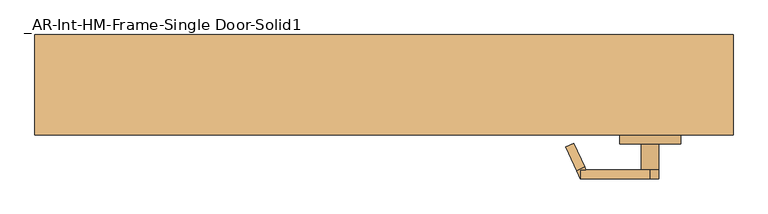
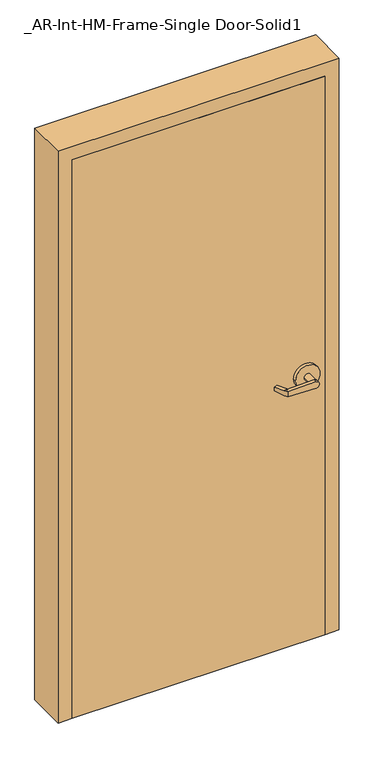
"""IFC4 building model written with IfcOpenShell, lengths in millimetres: door geometry, _AR-Int-HM-Frame-Single Door-Solid1."""

import ifcopenshell
import ifcopenshell.guid

model = None  # the IFC model being written
_history = None  # IfcOwnerHistory: only IFC2X3 demands one
_inside = {}  # id of a spatial element -> (the spatial element, [elements in it])
_under = {}  # id of a project, library or spatial element -> (it, [spatial elements below it])
_declared = {}  # id of a project -> (the project, [libraries it declares])
_typed = {}  # id of a type object -> (the type object, [elements of that type])
_made_of = {}  # id of a material, layer set ... -> (it, [elements and type objects made of it])


def new_model(schema):
    """Start an empty IFC model of exactly this schema.

    Asked for "IFC4X3", IfcOpenShell would pick the latest addendum, in which some entities
    have other attributes; the version numbers below select the first issue.
    IFC2X3 requires an IfcOwnerHistory on every rooted entity: one is made here for all.
    """
    global model, _history
    if schema == "IFC4X3":
        model = ifcopenshell.file(schema_version=(4, 3, 0, 0))
    else:
        model = ifcopenshell.file(schema=schema)
    _inside.clear()
    _under.clear()
    _declared.clear()
    _typed.clear()
    _made_of.clear()
    _history = None
    if model.schema == "IFC2X3":
        org = make("IfcOrganization", Name="unknown")
        user = make(
            "IfcPersonAndOrganization",
            ThePerson=make("IfcPerson", FamilyName="unknown"),
            TheOrganization=org,
        )
        app = make(
            "IfcApplication",
            ApplicationDeveloper=org,
            Version="unknown",
            ApplicationFullName="unknown",
            ApplicationIdentifier="unknown",
        )
        _history = make(
            "IfcOwnerHistory",
            OwningUser=user,
            OwningApplication=app,
            ChangeAction="ADDED",
            CreationDate=0,
        )
    return model


def make(cls, **values):
    """One entity of the class cls with the attributes given. An attribute that is None is left unset."""
    return model.create_entity(
        cls, **{name: value for name, value in values.items() if value is not None}
    )


def rooted(cls, **values):
    """An entity with a GlobalId (a new one), such as an element, a storey or a relation."""
    return make(cls, GlobalId=ifcopenshell.guid.new(), OwnerHistory=_history, **values)


def si_unit(unit_type, name, prefix=None):
    """IfcSIUnit, for example si_unit("LENGTHUNIT", "METRE", prefix="MILLI")."""
    return make("IfcSIUnit", UnitType=unit_type, Prefix=prefix, Name=name)


def assignment(units):
    """IfcUnitAssignment: the units of a project."""
    return None if units is None else make("IfcUnitAssignment", Units=units)


def point(xyz):
    """IfcCartesianPoint."""
    return None if xyz is None else make("IfcCartesianPoint", Coordinates=xyz)


def direction(xyz):
    """IfcDirection."""
    return None if xyz is None else make("IfcDirection", DirectionRatios=xyz)


def frame(location, z_axis=None, x_axis=None):
    """IfcAxis2Placement3D, a coordinate frame: its origin and axes. An axis left out is left unset."""
    return make(
        "IfcAxis2Placement3D",
        Location=point(location),
        Axis=direction(z_axis),
        RefDirection=direction(x_axis),
    )


def origin():
    """The frame at (0, 0, 0) with its axes left unset."""
    return frame((0.0, 0.0, 0.0))


def origin_with_axes():
    """The frame at (0, 0, 0) with the z axis (0, 0, 1) and the x axis (1, 0, 0) written out."""
    return frame((0.0, 0.0, 0.0), z_axis=(0.0, 0.0, 1.0), x_axis=(1.0, 0.0, 0.0))


def place(relative_to, where):
    """IfcLocalPlacement: puts the frame where relative to a parent placement (None: the world)."""
    return make(
        "IfcLocalPlacement", PlacementRelTo=relative_to, RelativePlacement=where
    )


def context(
    kind, dimensions, precision=None, world=None, true_north=None, identifier=None
):
    """IfcGeometricRepresentationContext, for example the 3D "Model" context."""
    return make(
        "IfcGeometricRepresentationContext",
        ContextIdentifier=identifier,
        ContextType=kind,
        CoordinateSpaceDimension=dimensions,
        Precision=precision,
        WorldCoordinateSystem=world,
        TrueNorth=true_north,
    )


def project(units=None, contexts=None):
    """IfcProject with its units and contexts."""
    return rooted(
        "IfcProject",
        Name="project",
        RepresentationContexts=contexts,
        UnitsInContext=assignment(units),
    )


def spatial(cls, under=None, at=None, **own):
    """A site, building, storey or space (cls), placed at a placement, below another one or the project."""
    s = rooted(cls, ObjectPlacement=at, **own)
    if under is not None:
        _under.setdefault(under.id(), (under, []))[1].append(s)
    return s


def polyline(points):
    """IfcPolyline through the points."""
    return make("IfcPolyline", Points=[point(p) for p in points])


def circle_curve(where, radius):
    """IfcCircle in the frame where."""
    return make("IfcCircle", Position=where, Radius=radius)


def outline(outer, holes=None, kind="AREA"):
    """IfcArbitraryClosedProfileDef: a profile drawn as a closed curve; with holes, ...WithVoids."""
    if holes is None:
        return make("IfcArbitraryClosedProfileDef", ProfileType=kind, OuterCurve=outer)
    return make(
        "IfcArbitraryProfileDefWithVoids",
        ProfileType=kind,
        OuterCurve=outer,
        InnerCurves=holes,
    )


def extrude(swept, where, along, depth):
    """IfcExtrudedAreaSolid: the profile swept, set in the frame where, extruded along a direction by depth."""
    return make(
        "IfcExtrudedAreaSolid",
        SweptArea=swept,
        Position=where,
        ExtrudedDirection=direction(along),
        Depth=depth,
    )


def faces_of(points, faces, orient=None, outer=None):
    """IfcFace entities. A face is a list of loops; a loop is a list of indices into points, from 0.

    orient and outer hold one flag for each loop. By default every Orientation is true, the
    first loop of a face is its IfcFaceOuterBound and the others are IfcFaceBound.
    """
    made = []
    for i, loops in enumerate(faces):
        bounds = []
        for j, loop in enumerate(loops):
            is_outer = j == 0 if outer is None else outer[i][j]
            bounds.append(
                make(
                    "IfcFaceOuterBound" if is_outer else "IfcFaceBound",
                    Bound=make("IfcPolyLoop", Polygon=[points[k] for k in loop]),
                    Orientation=True if orient is None else orient[i][j],
                )
            )
        made.append(make("IfcFace", Bounds=bounds))
    return made


def faceted_brep(points, faces, orient=None, outer=None, voids=None):
    """IfcFacetedBrep: a solid bounded by flat faces; with voids (closed shells), ...WithVoids."""
    shared = [point(p) for p in points]
    hull = make("IfcClosedShell", CfsFaces=faces_of(shared, faces, orient, outer))
    if voids is None:
        return make("IfcFacetedBrep", Outer=hull)
    return make(
        "IfcFacetedBrepWithVoids",
        Outer=hull,
        Voids=[
            make(cls, CfsFaces=faces_of(shared, fs, o, b)) for cls, fs, o, b in voids
        ],
    )


def shape(context_of_items, identifier, shape_type, items):
    """IfcShapeRepresentation: the items that make up one representation, for example the "Body"."""
    return make(
        "IfcShapeRepresentation",
        ContextOfItems=context_of_items,
        RepresentationIdentifier=identifier,
        RepresentationType=shape_type,
        Items=items,
    )


def source(mapping_origin, context_of_items, identifier, shape_type, items):
    """IfcRepresentationMap: a shape defined once, which mapped items show again and again."""
    return make(
        "IfcRepresentationMap",
        MappingOrigin=mapping_origin,
        MappedRepresentation=shape(context_of_items, identifier, shape_type, items),
    )


def transform(
    local_origin,
    x_axis=None,
    y_axis=None,
    z_axis=None,
    scale=None,
    scale2=None,
    scale3=None,
    uniform=True,
):
    """IfcCartesianTransformationOperator3D, or its non-uniform kind. x_axis, y_axis, z_axis: its Axis1, 2, 3."""
    if uniform:
        return make(
            "IfcCartesianTransformationOperator3D",
            Axis1=direction(x_axis),
            Axis2=direction(y_axis),
            LocalOrigin=point(local_origin),
            Scale=scale,
            Axis3=direction(z_axis),
        )
    return make(
        "IfcCartesianTransformationOperator3DnonUniform",
        Axis1=direction(x_axis),
        Axis2=direction(y_axis),
        LocalOrigin=point(local_origin),
        Scale=scale,
        Axis3=direction(z_axis),
        Scale2=scale2,
        Scale3=scale3,
    )


def mapped(mapping_source, mapping_target):
    """IfcMappedItem: shows the shape of a source again, moved by a transform."""
    return make(
        "IfcMappedItem", MappingSource=mapping_source, MappingTarget=mapping_target
    )


def made_of(thing, what):
    """Note that an element or type object is made of a material, layer set ...; save() writes the relation."""
    if what is not None:
        _made_of.setdefault(what.id(), (what, []))[1].append(thing)
    return thing


def element(
    cls,
    number,
    at=None,
    inside=None,
    cuts=None,
    type_object=None,
    material=None,
    context=None,
    identifier="Body",
    shape_type=None,
    held_by="IfcProductDefinitionShape",
    body=None,
    shapes=None,
    **own,
):
    """One element of the class cls, such as IfcWall. Its Tag is "e" and its number.

    at: its placement. inside: the storey or other place that contains it. cuts: it is an
    opening in that element (IfcRelVoidsElement). A single representation is given by context,
    identifier, shape_type and body (its items); several are given by shapes. held_by: the class
    of the entity that holds the representations. save() writes the other relations.
    """
    e = rooted(cls, Tag="e%d" % number, ObjectPlacement=at, **own)
    if body is not None:
        shapes = [shape(context, identifier, shape_type, body)]
    if shapes is not None:
        e.Representation = make(held_by, Representations=shapes)
    if inside is not None:
        _inside.setdefault(inside.id(), (inside, []))[1].append(e)
    if cuts is not None:
        rooted(
            "IfcRelVoidsElement", RelatingBuildingElement=cuts, RelatedOpeningElement=e
        )
    if type_object is not None:
        _typed.setdefault(type_object.id(), (type_object, []))[1].append(e)
    return made_of(e, material)


def aggregate(whole, parts):
    """IfcRelAggregates: a whole, such as a stair, and the parts it consists of."""
    return rooted("IfcRelAggregates", RelatingObject=whole, RelatedObjects=parts)


def save(model, path):
    """Write the relations noted so far, then the file.

    IfcRelAggregates (storeys below a building ...), IfcRelContainedInSpatialStructure (elements
    in a storey), IfcRelDefinesByType, IfcRelAssociatesMaterial and IfcRelDeclares: one each for
    every whole, place, type object, material and project.
    """
    for whole, parts in _under.values():
        aggregate(whole, parts)
    for where, things in _inside.values():
        rooted(
            "IfcRelContainedInSpatialStructure",
            RelatedElements=things,
            RelatingStructure=where,
        )
    for kind, things in _typed.values():
        rooted("IfcRelDefinesByType", RelatedObjects=things, RelatingType=kind)
    for what, things in _made_of.values():
        rooted("IfcRelAssociatesMaterial", RelatedObjects=things, RelatingMaterial=what)
    for by, libraries in _declared.values():
        rooted("IfcRelDeclares", RelatingContext=by, RelatedDefinitions=libraries)
    model.write(path)


def plane_surface(at):
    """IfcPlane: the flat surface through the origin of the frame at, square to its z axis."""
    return make("IfcPlane", Position=at)


def cylinder_surface(at, radius):
    """IfcCylindricalSurface: all points at the distance radius from the z axis of the frame at."""
    return make("IfcCylindricalSurface", Position=at, Radius=radius)


def advanced_brep(points, edges, surfaces, faces):
    """IfcAdvancedBrep: a solid bounded by faces that lie on surfaces and meet in shared edges.

    An edge is (start, end): straight between two places in points (the first is 0);
    or (start, end, curve); or (start, end, curve, False) where it runs against its curve.
    A face is (place in surfaces, loops), or (place, loops, False) where it looks against
    its surface's normal. A loop lists edges by number (the first is 1), with a minus sign
    where the edge is run from its end to its start. The first loop is the outer one.
    """
    corners = [point(p) for p in points]
    vertices = [make("IfcVertexPoint", VertexGeometry=c) for c in corners]
    made = []
    for start, end, *more in edges:
        made.append(
            make(
                "IfcEdgeCurve",
                EdgeStart=vertices[start],
                EdgeEnd=vertices[end],
                EdgeGeometry=more[0] if more else make("IfcPolyline", Points=[corners[start], corners[end]]),
                SameSense=more[1] if len(more) > 1 else True,
            )
        )
    hull = []
    for where, loops, *sense in faces:
        bounds = []
        for j, loop in enumerate(loops):
            ring = [make("IfcOrientedEdge", EdgeElement=made[abs(k) - 1], Orientation=k > 0) for k in loop]
            bounds.append(
                make(
                    "IfcFaceOuterBound" if j == 0 else "IfcFaceBound",
                    Bound=make("IfcEdgeLoop", EdgeList=ring),
                    Orientation=True,
                )
            )
        hull.append(make("IfcAdvancedFace", Bounds=bounds, FaceSurface=surfaces[where], SameSense=sense[0] if sense else True))
    return make("IfcAdvancedBrep", Outer=make("IfcClosedShell", CfsFaces=hull))


def ar_int_hm_frame_single_door_solid1_720919f1(model_context):
    return source(origin(), model_context, "Body", "SolidModel", [
        advanced_brep(
        [(291.892857, 18.0476392, 1006.475), (293.8407923, 22.225, 1006.475), (293.8407923, 22.225, 1025.525), (291.892857, 18.0476392, 1025.525), (275.7911012, -16.4826875, 1022.35), (275.7911012, -16.4826875, 1009.65), (285.75, 34.925, 1025.525), (285.75, 34.925, 1006.475), (280.3827481, 23.4148911, 1006.475), (264.2809923, -11.1154356, 1009.65), (264.2809923, -11.1154356, 1022.35), (280.3827481, 23.4148911, 1025.525), (285.75, 22.225, 1006.475), (285.75, 22.225, 1025.525), (386.9525418, 34.925, 1028.6937791), (386.9525418, 34.925, 1003.3062209), (386.9525418, 22.225, 1003.3062209), (374.65, 22.225, 1016.0), (386.9525418, 22.225, 1028.6937791), (400.05, 22.225, 1016.0), (374.65, -15.875, 1016.0), (400.05, -15.875, 1016.0), (431.8, -15.875, 1016.0), (342.9, -15.875, 1016.0), (431.8, -28.575, 1016.0), (342.9, -28.575, 1016.0)],
        [
            (0, 1),
            (1, 2),
            (2, 3),
            (3, 4),
            (4, 5),
            (5, 0),
            (6, 7),
            (7, 8),
            (8, 9),
            (9, 10),
            (10, 11),
            (11, 6),
            (7, 12),
            (12, 1),
            (0, 8),
            (5, 9),
            (4, 10),
            (3, 11),
            (2, 13),
            (13, 6),
            (6, 14),
            (14, 15, circle_curve(frame((387.35, 34.925, 1016.0), z_axis=(0.0, 1.0, 0.0), x_axis=(-1.0, 0.0, 0.0)), 12.7)),
            (15, 7),
            (12, 16),
            (16, 17, circle_curve(frame((387.35, 22.225, 1016.0), z_axis=(0.0, 1.0, 0.0), x_axis=(-1.0, 0.0, 0.0)), 12.7)),
            (17, 18, circle_curve(frame((387.35, 22.225, 1016.0), z_axis=(0.0, 1.0, 0.0), x_axis=(-1.0, 0.0, 0.0)), 12.7)),
            (18, 13),
            (15, 16),
            (14, 18),
            (18, 19, circle_curve(frame((387.35, 22.225, 1016.0), z_axis=(0.0, 1.0, 0.0), x_axis=(-1.0, 0.0, 0.0)), 12.7)),
            (19, 16, circle_curve(frame((387.35, 22.225, 1016.0), z_axis=(0.0, 1.0, 0.0), x_axis=(-1.0, 0.0, 0.0)), 12.7)),
            (17, 20),
            (20, 21, circle_curve(frame((387.35, -15.875, 1016.0), z_axis=(0.0, 1.0, 0.0), x_axis=(-1.0, 0.0, 0.0)), 12.7)),
            (21, 19),
            (21, 20, circle_curve(frame((387.35, -15.875, 1016.0), z_axis=(0.0, 1.0, 0.0), x_axis=(-1.0, 0.0, 0.0)), 12.7)),
            (22, 23, circle_curve(frame((387.35, -15.875, 1016.0), z_axis=(0.0, 1.0, 0.0), x_axis=(-1.0, 0.0, 0.0)), 44.45)),
            (23, 22, circle_curve(frame((387.35, -15.875, 1016.0), z_axis=(0.0, 1.0, 0.0), x_axis=(-1.0, 0.0, 0.0)), 44.45)),
            (24, 25, circle_curve(frame((387.35, -28.575, 1016.0), z_axis=(0.0, -1.0, 0.0), x_axis=(-1.0, 0.0, 0.0)), 44.45)),
            (25, 24, circle_curve(frame((387.35, -28.575, 1016.0), z_axis=(0.0, -1.0, 0.0), x_axis=(-1.0, 0.0, 0.0)), 44.45)),
            (23, 25),
            (24, 22),
        ],
        [
            plane_surface(frame((297.2601089, 29.5577481, 1006.475), z_axis=(0.9063077870366494, -0.4226182617407007, 0.0), x_axis=(0.0, 0.0, -1.0))),
            plane_surface(frame((285.75, 34.925, 1006.475), z_axis=(-0.9063077870366494, 0.4226182617407007, 0.0), x_axis=(0.0, 0.0, 1.0))),
            plane_surface(frame((297.2601089, 29.5577481, 1006.475), z_axis=(0.0, 0.0, -1.0000000000000002), x_axis=(-0.9063077870366494, 0.42261826174070094, 0.0))),
            plane_surface(frame((291.892857, 18.0476392, 1006.475), z_axis=(-0.035096536341209586, -0.07526476506963879, -0.9965457582448799), x_axis=(-0.9063077870366494, 0.42261826174070094, 0.0))),
            plane_surface(frame((275.7911012, -16.4826875, 1009.65), z_axis=(-0.42261826174070094, -0.9063077870366494, 0.0), x_axis=(-0.9063077870366494, 0.42261826174070094, 0.0))),
            plane_surface(frame((275.7911012, -16.4826875, 1022.35), z_axis=(-0.03509653634121044, -0.07526476506964089, 0.9965457582448796), x_axis=(-0.9063077870366495, 0.42261826174070033, 0.0))),
            plane_surface(frame((291.892857, 18.0476392, 1025.525), z_axis=(0.0, 0.0, 1.0000000000000002), x_axis=(-0.9063077870366494, 0.42261826174070094, 0.0))),
            plane_surface(frame((285.75, 34.925, 1006.475), z_axis=(0.0, 1.0, 0.0), x_axis=(0.9995101626549141, 0.0, -0.03129592225110647))),
            plane_surface(frame((285.75, 22.225, 1006.475), z_axis=(0.0, -1.0, 0.0), x_axis=(-0.9995101626549141, 0.0, 0.03129592225110647))),
            plane_surface(frame((285.75, 34.925, 1006.475), z_axis=(-0.03129592225110647, 0.0, -0.9995101626549141), x_axis=(0.0, -1.0, 0.0))),
            cylinder_surface(frame((387.35, 22.225, 1016.0), z_axis=(0.0, 1.0, 0.0), x_axis=(-1.0, 0.0, 0.0)), 12.7),
            plane_surface(frame((386.9525418, 34.925, 1028.6937791), z_axis=(-0.03129592225110282, 0.0, 0.9995101626549142), x_axis=(0.0, -1.0, 0.0))),
            cylinder_surface(frame((387.35, -15.875, 1016.0), z_axis=(0.0, 1.0, 0.0), x_axis=(-1.0, 0.0, 0.0)), 12.7),
            plane_surface(frame((342.9, -15.875, 1016.0), z_axis=(0.0, 1.0, 0.0), x_axis=(0.0, 0.0, -1.0))),
            plane_surface(frame((342.9, -28.575, 1016.0), z_axis=(0.0, -1.0, 0.0), x_axis=(0.0, 0.0, 1.0))),
            cylinder_surface(frame((387.35, -28.575, 1016.0), z_axis=(0.0, 1.0, 0.0), x_axis=(-1.0, 0.0, 0.0)), 44.45),
        ],
        [
            (0, [[1, 2, 3, 4, 5, 6]]),
            (1, [[7, 8, 9, 10, 11, 12]]),
            (2, [[13, 14, -1, 15, -8]]),
            (3, [[16, -9, -15, -6]]),
            (4, [[17, -10, -16, -5]]),
            (5, [[18, -11, -17, -4]]),
            (6, [[-18, -3, 19, 20, -12]]),
            (7, [[-7, 21, 22, 23]]),
            (8, [[-19, -2, -14, 24, 25, 26, 27]]),
            (9, [[28, -24, -13, -23]]),
            (10, [[29, 30, 31, -28, -22]]),
            (11, [[-20, -27, -29, -21]]),
            (12, [[-30, -26, 32, 33, 34]]),
            (12, [[35, -32, -25, -31, -34]]),
            (13, [[36, 37], [-35, -33]]),
            (14, [[38, 39]]),
            (15, [[40, -38, 41, -37]]),
            (15, [[-41, -39, -40, -36]]),
        ],
    ),
        advanced_brep(
        [(291.892857, -119.6476392, 1025.525), (293.8407923, -123.825, 1025.525), (293.8407923, -123.825, 1006.475), (291.892857, -119.6476392, 1006.475), (275.7911012, -85.1173125, 1009.65), (275.7911012, -85.1173125, 1022.35), (285.75, -136.525, 1006.475), (285.75, -136.525, 1025.525), (280.3827481, -125.0148911, 1025.525), (264.2809923, -90.4845644, 1022.35), (264.2809923, -90.4845644, 1009.65), (280.3827481, -125.0148911, 1006.475), (285.75, -123.825, 1025.525), (285.75, -123.825, 1006.475), (386.9525418, -136.525, 1003.3062209), (386.9525418, -136.525, 1028.6937791), (386.9525418, -123.825, 1028.6937791), (374.65, -123.825, 1016.0), (386.9525418, -123.825, 1003.3062209), (400.05, -123.825, 1016.0), (374.65, -85.725, 1016.0), (400.05, -85.725, 1016.0), (431.8, -85.725, 1016.0), (342.9, -85.725, 1016.0), (431.8, -73.025, 1016.0), (342.9, -73.025, 1016.0)],
        [
            (0, 1),
            (1, 2),
            (2, 3),
            (3, 4),
            (4, 5),
            (5, 0),
            (6, 7),
            (7, 8),
            (8, 9),
            (9, 10),
            (10, 11),
            (11, 6),
            (7, 12),
            (12, 1),
            (0, 8),
            (5, 9),
            (4, 10),
            (3, 11),
            (2, 13),
            (13, 6),
            (6, 14),
            (14, 15, circle_curve(frame((387.35, -136.525, 1016.0), z_axis=(0.0, -1.0, 0.0), x_axis=(-1.0, 0.0, 0.0)), 12.7)),
            (15, 7),
            (12, 16),
            (16, 17, circle_curve(frame((387.35, -123.825, 1016.0), z_axis=(0.0, -1.0, 0.0), x_axis=(-1.0, 0.0, 0.0)), 12.7)),
            (17, 18, circle_curve(frame((387.35, -123.825, 1016.0), z_axis=(0.0, -1.0, 0.0), x_axis=(-1.0, 0.0, 0.0)), 12.7)),
            (18, 13),
            (15, 16),
            (14, 18),
            (18, 19, circle_curve(frame((387.35, -123.825, 1016.0), z_axis=(0.0, -1.0, 0.0), x_axis=(-1.0, 0.0, 0.0)), 12.7)),
            (19, 16, circle_curve(frame((387.35, -123.825, 1016.0), z_axis=(0.0, -1.0, 0.0), x_axis=(-1.0, 0.0, 0.0)), 12.7)),
            (17, 20),
            (20, 21, circle_curve(frame((387.35, -85.725, 1016.0), z_axis=(0.0, -1.0, 0.0), x_axis=(-1.0, 0.0, 0.0)), 12.7)),
            (21, 19),
            (21, 20, circle_curve(frame((387.35, -85.725, 1016.0), z_axis=(0.0, -1.0, 0.0), x_axis=(-1.0, 0.0, 0.0)), 12.7)),
            (22, 23, circle_curve(frame((387.35, -85.725, 1016.0), z_axis=(0.0, -1.0, 0.0), x_axis=(-1.0, 0.0, 0.0)), 44.45)),
            (23, 22, circle_curve(frame((387.35, -85.725, 1016.0), z_axis=(0.0, -1.0, 0.0), x_axis=(-1.0, 0.0, 0.0)), 44.45)),
            (24, 25, circle_curve(frame((387.35, -73.025, 1016.0), z_axis=(0.0, 1.0, 0.0), x_axis=(-1.0, 0.0, 0.0)), 44.45)),
            (25, 24, circle_curve(frame((387.35, -73.025, 1016.0), z_axis=(0.0, 1.0, 0.0), x_axis=(-1.0, 0.0, 0.0)), 44.45)),
            (23, 25),
            (24, 22),
        ],
        [
            plane_surface(frame((297.2601089, -131.1577481, 1025.525), z_axis=(0.9063077870366494, 0.4226182617407007, 0.0), x_axis=(0.0, 0.0, 1.0))),
            plane_surface(frame((285.75, -136.525, 1025.525), z_axis=(-0.9063077870366494, -0.4226182617407007, 0.0), x_axis=(0.0, 0.0, -1.0))),
            plane_surface(frame((297.2601089, -131.1577481, 1025.525), z_axis=(0.0, 0.0, 1.0000000000000002), x_axis=(-0.9063077870366494, -0.42261826174070094, 0.0))),
            plane_surface(frame((291.892857, -119.6476392, 1025.525), z_axis=(-0.03509653634120952, 0.07526476506963879, 0.9965457582448799), x_axis=(-0.9063077870366494, -0.42261826174070094, 0.0))),
            plane_surface(frame((275.7911012, -85.1173125, 1022.35), z_axis=(-0.42261826174070094, 0.9063077870366494, 0.0), x_axis=(-0.9063077870366494, -0.42261826174070094, 0.0))),
            plane_surface(frame((275.7911012, -85.1173125, 1009.65), z_axis=(-0.03509653634121051, 0.07526476506964089, -0.9965457582448796), x_axis=(-0.9063077870366495, -0.42261826174070033, 0.0))),
            plane_surface(frame((291.892857, -119.6476392, 1006.475), z_axis=(0.0, 0.0, -1.0000000000000002), x_axis=(-0.9063077870366494, -0.42261826174070094, 0.0))),
            plane_surface(frame((285.75, -136.525, 1025.525), z_axis=(0.0, -1.0, 0.0), x_axis=(0.9995101626549141, 0.0, 0.0312959222511064))),
            plane_surface(frame((285.75, -123.825, 1025.525), z_axis=(0.0, 1.0, 0.0), x_axis=(-0.9995101626549141, 0.0, -0.0312959222511064))),
            plane_surface(frame((285.75, -136.525, 1025.525), z_axis=(-0.0312959222511064, 0.0, 0.9995101626549141), x_axis=(0.0, 1.0, 0.0))),
            cylinder_surface(frame((387.35, -123.825, 1016.0), z_axis=(0.0, -1.0, 0.0), x_axis=(-1.0, 0.0, 0.0)), 12.7),
            plane_surface(frame((386.9525418, -136.525, 1003.3062209), z_axis=(-0.03129592225110289, 0.0, -0.9995101626549142), x_axis=(0.0, 1.0, 0.0))),
            cylinder_surface(frame((387.35, -85.725, 1016.0), z_axis=(0.0, -1.0, 0.0), x_axis=(-1.0, 0.0, 0.0)), 12.7),
            plane_surface(frame((342.9, -85.725, 1016.0), z_axis=(0.0, -1.0, 0.0), x_axis=(0.0, 0.0, 1.0))),
            plane_surface(frame((342.9, -73.025, 1016.0), z_axis=(0.0, 1.0, 0.0), x_axis=(0.0, 0.0, -1.0))),
            cylinder_surface(frame((387.35, -73.025, 1016.0), z_axis=(0.0, -1.0, 0.0), x_axis=(-1.0, 0.0, 0.0)), 44.45),
        ],
        [
            (0, [[1, 2, 3, 4, 5, 6]]),
            (1, [[7, 8, 9, 10, 11, 12]]),
            (2, [[13, 14, -1, 15, -8]]),
            (3, [[16, -9, -15, -6]]),
            (4, [[17, -10, -16, -5]]),
            (5, [[18, -11, -17, -4]]),
            (6, [[-18, -3, 19, 20, -12]]),
            (7, [[-7, 21, 22, 23]]),
            (8, [[-19, -2, -14, 24, 25, 26, 27]]),
            (9, [[28, -24, -13, -23]]),
            (10, [[29, 30, 31, -28, -22]]),
            (11, [[-20, -27, -29, -21]]),
            (12, [[-30, -26, 32, 33, 34]]),
            (12, [[35, -32, -25, -31, -34]]),
            (13, [[36, 37], [-35, -33]]),
            (14, [[38, 39]]),
            (15, [[40, -38, 41, -37]]),
            (15, [[-41, -39, -40, -36]]),
        ],
    ),
        extrude(outline(polyline([(-457.2, -73.025), (-457.2, -28.575), (457.2, -28.575), (457.2, -73.025), (-457.2, -73.025)])), origin_with_axes(), (0.0, 0.0, 1.0), 2133.6),
        faceted_brep([(-457.2, -73.025, 0.0), (-508.0, -73.025, 0.0), (-508.0, 73.025, 0.0), (-457.2, 73.025, 0.0), (-457.2, 28.575, 0.0), (-441.325, 28.575, 0.0), (-441.325, -28.575, 0.0), (-457.2, -28.575, 0.0), (-457.2, -28.575, 2133.6), (-457.2, -73.025, 2133.6), (-441.325, -28.575, 2117.725), (441.325, -28.575, 2117.725), (441.325, -28.575, 0.0), (457.2, -28.575, 0.0), (457.2, -28.575, 2133.6), (-441.325, 28.575, 2117.725), (-457.2, 28.575, 2133.6), (457.2, 28.575, 2133.6), (457.2, 28.575, 0.0), (441.325, 28.575, 0.0), (441.325, 28.575, 2117.725), (-457.2, 73.025, 2133.6), (-508.0, 73.025, 2184.4), (508.0, 73.025, 2184.4), (508.0, 73.025, 0.0), (457.2, 73.025, 0.0), (457.2, 73.025, 2133.6), (-508.0, -73.025, 2184.4), (457.2, -73.025, 2133.6), (457.2, -73.025, 0.0), (508.0, -73.025, 0.0), (508.0, -73.025, 2184.4)], [[[0, 1, 2, 3, 4, 5, 6, 7]], [[7, 8, 9, 0]], [[6, 10, 11, 12, 13, 14, 8, 7]], [[5, 15, 10, 6]], [[4, 16, 17, 18, 19, 20, 15, 5]], [[3, 21, 16, 4]], [[2, 22, 23, 24, 25, 26, 21, 3]], [[1, 27, 22, 2]], [[0, 9, 28, 29, 30, 31, 27, 1]], [[29, 28, 14, 13]], [[29, 13, 12, 19, 18, 25, 24, 30]], [[12, 11, 20, 19]], [[17, 26, 25, 18]], [[30, 24, 23, 31]], [[23, 22, 27, 31]], [[21, 26, 17, 16]], [[15, 20, 11, 10]], [[14, 28, 9, 8]]]),
    ])


if __name__ == "__main__":
    model = new_model("IFC4")
    model_context = context("Model", 3, world=origin())
    ifc_project = project(units=[si_unit("LENGTHUNIT", "METRE", prefix="MILLI")], contexts=[model_context])
    site = spatial("IfcSite", under=ifc_project)
    building = spatial("IfcBuilding", under=site)
    placement = place(None, origin())
    ar_int_hm_frame_single_door_solid1_shape = ar_int_hm_frame_single_door_solid1_720919f1(model_context)
    element("IfcDoor", 1, ObjectType="_AR-Int-HM-Frame-Single Door-Solid1", at=placement, inside=building, context=model_context, shape_type="MappedRepresentation", body=[
        mapped(ar_int_hm_frame_single_door_solid1_shape, transform((0.0, 0.0, 0.0), x_axis=(1.0, 0.0, 0.0), y_axis=(0.0, 1.0, 0.0), z_axis=(0.0, 0.0, 1.0))),
    ])
    save(model, "model.ifc")
